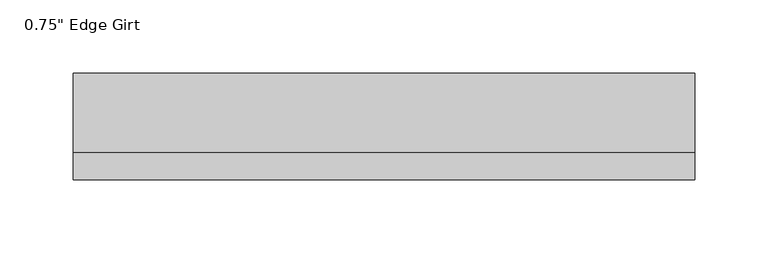
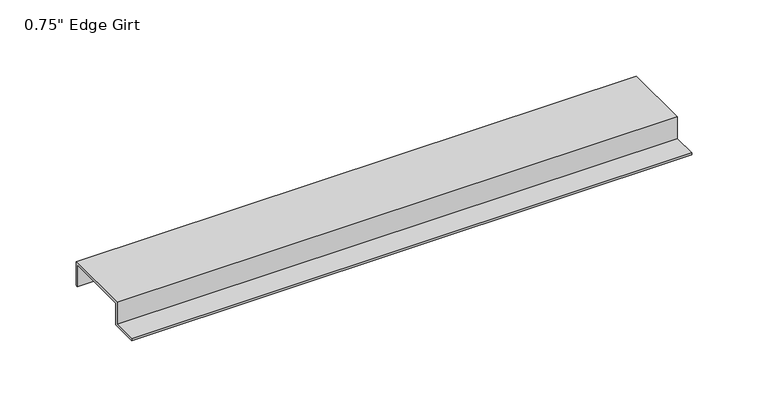
"""IFC4 building model written with IfcOpenShell, lengths in millimetres: proxy geometry."""

from ifc_helpers import new_model, si_unit, frame, origin, place, context, project, spatial, polyline, outline, extrude, source, transform, mapped, element, save


def proxy_cabf96c3(model_context):
    return source(origin(), model_context, "Body", "SweptSolid", [
        extrude(outline(polyline([(-46.0559645, -17.4375), (-46.0559645, -15.8242), (-27.0129, -15.8242), (-27.0129, 1.6129), (27.0129, 1.6129), (27.0129, -17.4375), (25.4, -17.4375), (25.4, 0.0), (-25.4, 0.0), (-25.4, -17.4375), (-46.0559645, -17.4375)])), frame((0.0, 0.0, 0.0), z_axis=(1.0, 0.0, 0.0), x_axis=(0.0, 1.0, 0.0)), (0.0, 0.0, 1.0), 425.3761418),
    ])


if __name__ == "__main__":
    model = new_model("IFC4")
    model_context = context("Model", 3, world=origin())
    ifc_project = project(units=[si_unit("LENGTHUNIT", "METRE", prefix="MILLI")], contexts=[model_context])
    site = spatial("IfcSite", under=ifc_project)
    building = spatial("IfcBuilding", under=site)
    placement = place(None, origin())
    proxy_shape = proxy_cabf96c3(model_context)
    element("IfcBuildingElementProxy", 1, Name="0.75\" Edge Girt", ObjectType="0.75\" Edge Girt", at=placement, inside=building, context=model_context, shape_type="MappedRepresentation", body=[
        mapped(proxy_shape, transform((0.0, 0.0, 0.0), x_axis=(1.0, 0.0, 0.0), y_axis=(0.0, 1.0, 0.0), z_axis=(0.0, 0.0, 1.0))),
    ])
    save(model, "model.ifc")
